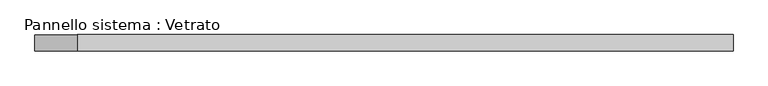
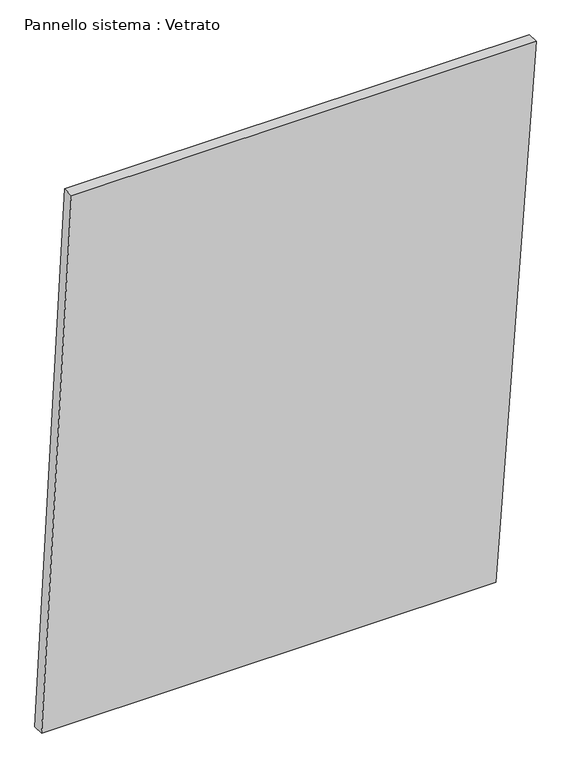
"""IFC4 building model written with IfcOpenShell, lengths in millimetres: plate geometry, Pannello sistema : Vetrato."""

from ifc_helpers import new_model, si_unit, frame, origin, place, context, project, spatial, polyline, outline, extrude, source, transform, mapped, element, save


def pannello_sistema_vetrato_6fb387bd(model_context):
    return source(origin(), model_context, "Body", "SweptSolid", [
        extrude(outline(polyline([(0.0, -646.8994776), (1.0998527, 542.0144298), (1458.153662, 646.8994776), (1458.153662, -568.8558887), (0.0, -646.8994776)])), frame((0.0, -15.0, 0.0), z_axis=(0.0, 1.0, 0.0), x_axis=(0.0, 0.0, 1.0)), (0.0, 0.0, 1.0), 30.0),
    ])


if __name__ == "__main__":
    model = new_model("IFC4")
    model_context = context("Model", 3, world=origin())
    ifc_project = project(units=[si_unit("LENGTHUNIT", "METRE", prefix="MILLI")], contexts=[model_context])
    site = spatial("IfcSite", under=ifc_project)
    building = spatial("IfcBuilding", under=site)
    placement = place(None, origin())
    pannello_sistema_vetrato_shape = pannello_sistema_vetrato_6fb387bd(model_context)
    element("IfcPlate", 1, ObjectType="Pannello sistema : Vetrato", at=placement, inside=building, context=model_context, shape_type="MappedRepresentation", body=[
        mapped(pannello_sistema_vetrato_shape, transform((0.0, 0.0, 0.0), x_axis=(1.0, 0.0, 0.0), y_axis=(0.0, 1.0, 0.0), z_axis=(0.0, 0.0, 1.0))),
    ])
    save(model, "model.ifc")
